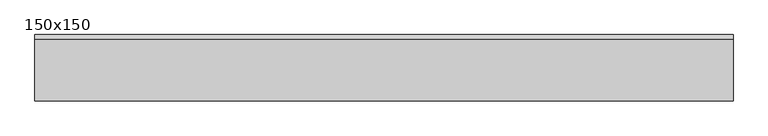
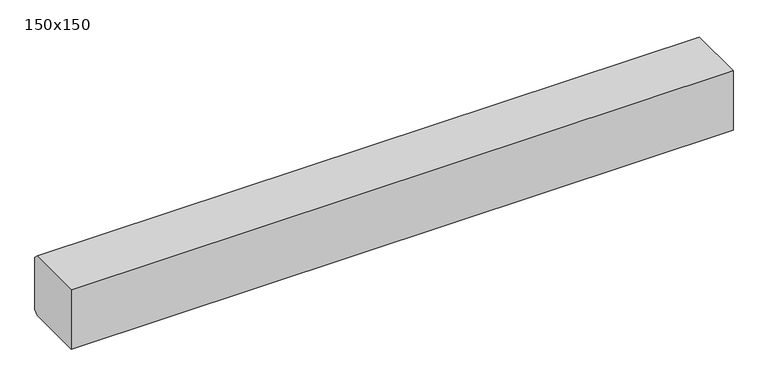
"""IFC4 building model written with IfcOpenShell, lengths in millimetres: beam geometry, 150x150."""

from ifc_helpers import new_model, si_unit, frame, origin, place, context, project, spatial, polyline, outline, extrude, source, transform, mapped, element, save


def beam_150x150_6e508f79(model_context):
    return source(origin(), model_context, "Body", "SweptSolid", [
        extrude(outline(polyline([(75.0, 65.144132), (75.0, -65.144132), (65.0, -75.144132), (-75.0, -75.144132), (-75.0, 74.855868), (65.288264, 74.855868), (75.0, 65.144132)])), frame((2405.2904164, 0.0, 0.0), z_axis=(1.0, 0.0, 0.0), x_axis=(0.0, 1.0, 0.0)), (0.0, 0.0, 1.0), 1581.2748225),
    ])


if __name__ == "__main__":
    model = new_model("IFC4")
    model_context = context("Model", 3, world=origin())
    ifc_project = project(units=[si_unit("LENGTHUNIT", "METRE", prefix="MILLI")], contexts=[model_context])
    site = spatial("IfcSite", under=ifc_project)
    building = spatial("IfcBuilding", under=site)
    placement = place(None, origin())
    beam_150x150_shape = beam_150x150_6e508f79(model_context)
    element("IfcBeam", 1, ObjectType="150x150", at=placement, inside=building, context=model_context, shape_type="MappedRepresentation", body=[
        mapped(beam_150x150_shape, transform((0.0, 0.0, 0.0), x_axis=(1.0, 0.0, 0.0), y_axis=(0.0, 1.0, 0.0), z_axis=(0.0, 0.0, 1.0))),
    ])
    save(model, "model.ifc")
